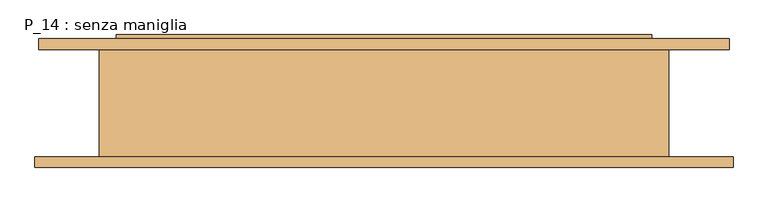
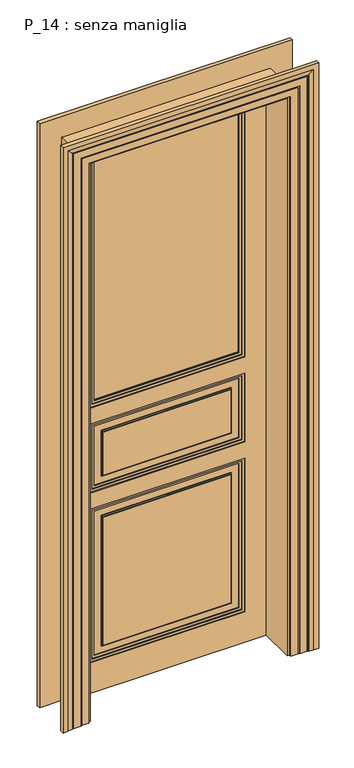
"""IFC4 building model written with IfcOpenShell, lengths in millimetres: door geometry, P_14 : senza maniglia."""

from ifc_helpers import new_model, si_unit, frame, origin, place, context, project, spatial, polyline, outline, extrude, faceted_brep, source, transform, mapped, element, save


def p_14_senza_maniglia_0dea33b0(model_context):
    return source(origin(), model_context, "Body", "SolidModel", [
        extrude(outline(polyline([(2310.0, 314.0), (2310.0, -314.0), (1225.0, -314.0), (1225.0, 314.0), (2310.0, 314.0)]), holes=[polyline([(2300.0, 304.0), (1235.0, 304.0), (1235.0, -304.0), (2300.0, -304.0), (2300.0, 304.0)])]), frame((0.0, 72.0, 0.0), z_axis=(0.0, 1.0, 0.0), x_axis=(0.0, 0.0, 1.0)), (0.0, 0.0, 1.0), 8.0),
        extrude(outline(polyline([(790.0, -314.0), (130.0, -314.0), (130.0, 314.0), (790.0, 314.0), (790.0, -314.0)]), holes=[polyline([(780.0, 304.0), (140.0, 304.0), (140.0, -304.0), (780.0, -304.0), (780.0, 304.0)])]), frame((0.0, 72.0, 0.0), z_axis=(0.0, 1.0, 0.0), x_axis=(0.0, 0.0, 1.0)), (0.0, 0.0, 1.0), 8.0),
        extrude(outline(polyline([(1155.0, -314.0), (860.0, -314.0), (860.0, 314.0), (1155.0, 314.0), (1155.0, -314.0)]), holes=[polyline([(1145.0, -304.0), (1145.0, 304.0), (870.0, 304.0), (870.0, -304.0), (1145.0, -304.0)])]), frame((0.0, 72.0, 0.0), z_axis=(0.0, 1.0, 0.0), x_axis=(0.0, 0.0, 1.0)), (0.0, 0.0, 1.0), 8.0),
        extrude(outline(polyline([(0.0, 399.0), (2395.0, 399.0), (2395.0, -399.0), (0.0, -399.0), (0.0, 399.0)]), holes=[polyline([(790.0, 314.0), (130.0, 314.0), (130.0, -314.0), (790.0, -314.0), (790.0, 314.0)]), polyline([(1225.0, 314.0), (1225.0, -314.0), (2310.0, -314.0), (2310.0, 314.0), (1225.0, 314.0)]), polyline([(1155.0, 314.0), (860.0, 314.0), (860.0, -314.0), (1155.0, -314.0), (1155.0, 314.0)])]), frame((0.0, 68.0, 0.0), z_axis=(0.0, 1.0, 0.0), x_axis=(0.0, 0.0, 1.0)), (0.0, 0.0, 1.0), 12.0),
        extrude(outline(polyline([(2400.0, -404.0), (0.0, -404.0), (0.0, 404.0), (2400.0, 404.0), (2400.0, -404.0)]), holes=[polyline([(2290.0, -294.0), (2290.0, 294.0), (1245.0, 294.0), (1245.0, -294.0), (2290.0, -294.0)])]), frame((0.0, 80.0, 0.0), z_axis=(0.0, 1.0, 0.0), x_axis=(0.0, 0.0, 1.0)), (0.0, 0.0, 1.0), 10.0),
        extrude(outline(polyline([(1225.0, 314.0), (2310.0, 314.0), (2310.0, -314.0), (1225.0, -314.0), (1225.0, 314.0)]), holes=[polyline([(2300.0, -304.0), (2300.0, 304.0), (1235.0, 304.0), (1235.0, -304.0), (2300.0, -304.0)])]), frame((0.0, 90.0, 0.0), z_axis=(0.0, 1.0, 0.0), x_axis=(0.0, 0.0, 1.0)), (0.0, 0.0, 1.0), 8.0),
        extrude(outline(polyline([(790.0, -314.0), (130.0, -314.0), (130.0, 314.0), (790.0, 314.0), (790.0, -314.0)]), holes=[polyline([(780.0, -304.0), (780.0, 304.0), (140.0, 304.0), (140.0, -304.0), (780.0, -304.0)])]), frame((0.0, 90.0, 0.0), z_axis=(0.0, 1.0, 0.0), x_axis=(0.0, 0.0, 1.0)), (0.0, 0.0, 1.0), 8.0),
        extrude(outline(polyline([(1155.0, -314.0), (860.0, -314.0), (860.0, 314.0), (1155.0, 314.0), (1155.0, -314.0)]), holes=[polyline([(1145.0, -304.0), (1145.0, 304.0), (870.0, 304.0), (870.0, -304.0), (1145.0, -304.0)])]), frame((0.0, 90.0, 0.0), z_axis=(0.0, 1.0, 0.0), x_axis=(0.0, 0.0, 1.0)), (0.0, 0.0, 1.0), 8.0),
        faceted_brep([(404.0, 90.0, 0.0), (404.0, 90.0, 2400.0), (-404.0, 90.0, 2400.0), (-404.0, 90.0, 0.0), (314.0, 90.0, 1225.0), (-314.0, 90.0, 1225.0), (-314.0, 90.0, 2310.0), (314.0, 90.0, 2310.0), (314.0, 90.0, 790.0), (314.0, 90.0, 130.0), (-314.0, 90.0, 130.0), (-314.0, 90.0, 790.0), (314.0, 90.0, 1155.0), (314.0, 90.0, 860.0), (-314.0, 90.0, 860.0), (-314.0, 90.0, 1155.0), (314.0, 102.0, 1225.0), (-314.0, 102.0, 1225.0), (-314.0, 102.0, 2310.0), (314.0, 102.0, 2310.0), (404.0, 95.0, 0.0), (404.0, 95.0, 2400.0), (-404.0, 95.0, 2400.0), (-404.0, 95.0, 0.0), (-399.0, 95.0, 0.0), (-399.0, 102.0, 0.0), (399.0, 102.0, 0.0), (399.0, 95.0, 0.0), (314.0, 102.0, 790.0), (314.0, 102.0, 130.0), (-314.0, 102.0, 130.0), (-314.0, 102.0, 790.0), (314.0, 102.0, 1155.0), (314.0, 102.0, 860.0), (-314.0, 102.0, 860.0), (-314.0, 102.0, 1155.0), (-399.0, 102.0, 2395.0), (399.0, 102.0, 2395.0), (-399.0, 95.0, 2395.0), (399.0, 95.0, 2395.0)], [[[0, 1, 2, 3], [4, 5, 6, 7], [8, 9, 10, 11], [12, 13, 14, 15]], [[5, 4, 16, 17]], [[6, 5, 17, 18]], [[4, 7, 19, 16]], [[0, 20, 21, 1]], [[3, 2, 22, 23]], [[0, 3, 23, 24, 25, 26, 27, 20]], [[9, 8, 28, 29]], [[10, 9, 29, 30]], [[11, 10, 30, 31]], [[8, 11, 31, 28]], [[13, 12, 32, 33]], [[14, 13, 33, 34]], [[15, 14, 34, 35]], [[12, 15, 35, 32]], [[26, 25, 36, 37], [16, 19, 18, 17], [28, 31, 30, 29], [32, 35, 34, 33]], [[36, 25, 24, 38]], [[26, 37, 39, 27]], [[20, 27, 39, 38, 24, 23, 22, 21]], [[7, 6, 18, 19]], [[1, 21, 22, 2]], [[37, 36, 38, 39]]]),
        faceted_brep([(514.0, 80.0, 0.0), (424.0, 80.0, 0.0), (424.0, -80.0, 0.0), (520.0, -80.0, 0.0), (520.0, -96.0, 0.0), (500.0, -96.0, 0.0), (480.0, -92.0291126, 0.0), (480.0, -91.0291126, 0.0), (475.0, -91.0291126, 0.0), (475.0, -90.0291126, 0.0), (445.0, -90.0291126, 0.0), (445.0, -89.0291126, 0.0), (440.0, -89.0291126, 0.0), (440.0, -88.0291126, 0.0), (410.0, -88.0291126, 0.0), (410.0, -80.0, 0.0), (400.0, -80.0, 0.0), (400.0, 80.0, 0.0), (410.0, 80.0, 0.0), (410.0, 88.0291126, 0.0), (440.0, 88.0291126, 0.0), (440.0, 89.0291126, 0.0), (445.0, 89.0291126, 0.0), (445.0, 90.0291126, 0.0), (469.0, 90.0291126, 0.0), (469.0, 91.0291126, 0.0), (474.0, 91.0291126, 0.0), (474.0, 92.0291126, 0.0), (494.0, 96.0, 0.0), (514.0, 96.0, 0.0), (514.0, 80.0, 2510.0), (-514.0, 80.0, 2510.0), (-514.0, 80.0, 0.0), (-424.0, 80.0, 0.0), (-424.0, 80.0, 2420.0), (424.0, 80.0, 2420.0), (424.0, -80.0, 2420.0), (-424.0, -80.0, 2420.0), (-424.0, -80.0, 0.0), (-520.0, -80.0, 0.0), (-520.0, -80.0, 2516.0), (520.0, -80.0, 2516.0), (520.0, -96.0, 2516.0), (-520.0, -96.0, 2516.0), (-520.0, -96.0, 0.0), (-500.0, -96.0, 0.0), (-500.0, -96.0, 2496.0), (500.0, -96.0, 2496.0), (480.0, -92.0291126, 2476.0), (480.0, -91.0291126, 2476.0), (-480.0, -91.0291126, 2476.0), (-480.0, -91.0291126, 0.0), (-475.0, -91.0291126, 0.0), (-475.0, -91.0291126, 2471.0), (475.0, -91.0291126, 2471.0), (475.0, -90.0291126, 2471.0), (-475.0, -90.0291126, 2471.0), (-475.0, -90.0291126, 0.0), (-445.0, -90.0291126, 0.0), (-445.0, -90.0291126, 2441.0), (445.0, -90.0291126, 2441.0), (445.0, -89.0291126, 2441.0), (-445.0, -89.0291126, 2441.0), (-445.0, -89.0291126, 0.0), (-440.0, -89.0291126, 0.0), (-440.0, -89.0291126, 2436.0), (440.0, -89.0291126, 2436.0), (440.0, -88.0291126, 2436.0), (-440.0, -88.0291126, 2436.0), (-440.0, -88.0291126, 0.0), (-410.0, -88.0291126, 0.0), (-410.0, -88.0291126, 2406.0), (410.0, -88.0291126, 2406.0), (410.0, -80.0, 2406.0), (-410.0, -80.0, 2406.0), (-410.0, -80.0, 0.0), (-400.0, -80.0, 0.0), (-400.0, -80.0, 2396.0), (400.0, -80.0, 2396.0), (400.0, 80.0, 2396.0), (-400.0, 80.0, 2396.0), (-400.0, 80.0, 0.0), (-410.0, 80.0, 0.0), (-410.0, 80.0, 2406.0), (410.0, 80.0, 2406.0), (410.0, 88.0291126, 2406.0), (-410.0, 88.0291126, 2406.0), (-410.0, 88.0291126, 0.0), (-440.0, 88.0291126, 0.0), (-440.0, 88.0291126, 2436.0), (440.0, 88.0291126, 2436.0), (440.0, 89.0291126, 2436.0), (-440.0, 89.0291126, 2436.0), (-440.0, 89.0291126, 0.0), (-445.0, 89.0291126, 0.0), (-445.0, 89.0291126, 2441.0), (445.0, 89.0291126, 2441.0), (445.0, 90.0291126, 2441.0), (-445.0, 90.0291126, 2441.0), (-445.0, 90.0291126, 0.0), (-469.0, 90.0291126, 0.0), (-469.0, 90.0291126, 2465.0), (469.0, 90.0291126, 2465.0), (469.0, 91.0291126, 2465.0), (-469.0, 91.0291126, 2465.0), (-469.0, 91.0291126, 0.0), (-474.0, 91.0291126, 0.0), (-474.0, 91.0291126, 2470.0), (474.0, 91.0291126, 2470.0), (474.0, 92.0291126, 2470.0), (494.0, 96.0, 2490.0), (-494.0, 96.0, 2490.0), (-494.0, 96.0, 0.0), (-514.0, 96.0, 0.0), (-514.0, 96.0, 2510.0), (514.0, 96.0, 2510.0), (-474.0, 92.0291126, 0.0), (-480.0, -92.0291126, 0.0), (-474.0, 92.0291126, 2470.0), (-480.0, -92.0291126, 2476.0)], [[[0, 1, 2, 3, 4, 5, 6, 7, 8, 9, 10, 11, 12, 13, 14, 15, 16, 17, 18, 19, 20, 21, 22, 23, 24, 25, 26, 27, 28, 29]], [[1, 0, 30, 31, 32, 33, 34, 35]], [[2, 1, 35, 36]], [[3, 2, 36, 37, 38, 39, 40, 41]], [[4, 3, 41, 42]], [[5, 4, 42, 43, 44, 45, 46, 47]], [[6, 5, 47, 48]], [[7, 6, 48, 49]], [[8, 7, 49, 50, 51, 52, 53, 54]], [[9, 8, 54, 55]], [[10, 9, 55, 56, 57, 58, 59, 60]], [[11, 10, 60, 61]], [[12, 11, 61, 62, 63, 64, 65, 66]], [[13, 12, 66, 67]], [[14, 13, 67, 68, 69, 70, 71, 72]], [[15, 14, 72, 73]], [[16, 15, 73, 74, 75, 76, 77, 78]], [[17, 16, 78, 79]], [[18, 17, 79, 80, 81, 82, 83, 84]], [[19, 18, 84, 85]], [[20, 19, 85, 86, 87, 88, 89, 90]], [[21, 20, 90, 91]], [[22, 21, 91, 92, 93, 94, 95, 96]], [[23, 22, 96, 97]], [[24, 23, 97, 98, 99, 100, 101, 102]], [[25, 24, 102, 103]], [[26, 25, 103, 104, 105, 106, 107, 108]], [[27, 26, 108, 109]], [[28, 27, 109, 110]], [[29, 28, 110, 111, 112, 113, 114, 115]], [[0, 29, 115, 30]], [[31, 114, 113, 32]], [[32, 113, 112, 116, 106, 105, 100, 99, 94, 93, 88, 87, 82, 81, 76, 75, 70, 69, 64, 63, 58, 57, 52, 51, 117, 45, 44, 39, 38, 33]], [[37, 34, 33, 38]], [[74, 71, 70, 75]], [[80, 77, 76, 81]], [[86, 83, 82, 87]], [[111, 118, 116, 112]], [[118, 107, 106, 116]], [[104, 101, 100, 105]], [[98, 95, 94, 99]], [[92, 89, 88, 93]], [[68, 65, 64, 69]], [[62, 59, 58, 63]], [[56, 53, 52, 57]], [[50, 119, 117, 51]], [[119, 46, 45, 117]], [[43, 40, 39, 44]], [[30, 115, 114, 31]], [[36, 35, 34, 37]], [[73, 72, 71, 74]], [[79, 78, 77, 80]], [[85, 84, 83, 86]], [[91, 90, 89, 92]], [[97, 96, 95, 98]], [[103, 102, 101, 104]], [[109, 108, 107, 118]], [[110, 109, 118, 111]], [[42, 41, 40, 43]], [[48, 47, 46, 119]], [[49, 48, 119, 50]], [[55, 54, 53, 56]], [[61, 60, 59, 62]], [[67, 66, 65, 68]]]),
        extrude(outline(polyline([(294.0, 83.0), (-294.0, 83.0), (-294.0, 87.0), (294.0, 87.0), (294.0, 83.0)])), frame((0.0, 0.0, 1245.0), z_axis=(0.0, 0.0, 1.0), x_axis=(1.0, 0.0, 0.0)), (0.0, 0.0, 1.0), 1045.0),
        extrude(outline(polyline([(780.0, 304.0), (780.0, -304.0), (140.0, -304.0), (140.0, 304.0), (780.0, 304.0)]), holes=[polyline([(770.0, 294.0), (150.0, 294.0), (150.0, -294.0), (770.0, -294.0), (770.0, 294.0)])]), frame((0.0, 76.0, 0.0), z_axis=(0.0, 1.0, 0.0), x_axis=(0.0, 0.0, 1.0)), (0.0, 0.0, 1.0), 4.0),
        extrude(outline(polyline([(740.0, 264.0), (740.0, -264.0), (180.0, -264.0), (180.0, 264.0), (740.0, 264.0)]), holes=[polyline([(735.0, 259.0), (185.0, 259.0), (185.0, -259.0), (735.0, -259.0), (735.0, 259.0)])]), frame((0.0, 76.0, 0.0), z_axis=(0.0, 1.0, 0.0), x_axis=(0.0, 0.0, 1.0)), (0.0, 0.0, 1.0), 4.0),
        extrude(outline(polyline([(1145.0, -304.0), (870.0, -304.0), (870.0, 304.0), (1145.0, 304.0), (1145.0, -304.0)]), holes=[polyline([(1135.0, -294.0), (1135.0, 294.0), (880.0, 294.0), (880.0, -294.0), (1135.0, -294.0)])]), frame((0.0, 76.0, 0.0), z_axis=(0.0, 1.0, 0.0), x_axis=(0.0, 0.0, 1.0)), (0.0, 0.0, 1.0), 4.0),
        extrude(outline(polyline([(1105.0, -264.0), (910.0, -264.0), (910.0, 264.0), (1105.0, 264.0), (1105.0, -264.0)]), holes=[polyline([(1100.0, -259.0), (1100.0, 259.0), (915.0, 259.0), (915.0, -259.0), (1100.0, -259.0)])]), frame((0.0, 76.0, 0.0), z_axis=(0.0, 1.0, 0.0), x_axis=(0.0, 0.0, 1.0)), (0.0, 0.0, 1.0), 4.0),
        extrude(outline(polyline([(2300.0, 304.0), (2300.0, -304.0), (1235.0, -304.0), (1235.0, 304.0), (2300.0, 304.0)]), holes=[polyline([(2290.0, 294.0), (1245.0, 294.0), (1245.0, -294.0), (2290.0, -294.0), (2290.0, 294.0)])]), frame((0.0, 76.0, 0.0), z_axis=(0.0, 1.0, 0.0), x_axis=(0.0, 0.0, 1.0)), (0.0, 0.0, 1.0), 4.0),
        extrude(outline(polyline([(780.0, -304.0), (140.0, -304.0), (140.0, 304.0), (780.0, 304.0), (780.0, -304.0)]), holes=[polyline([(770.0, -294.0), (770.0, 294.0), (150.0, 294.0), (150.0, -294.0), (770.0, -294.0)])]), frame((0.0, 90.0, 0.0), z_axis=(0.0, 1.0, 0.0), x_axis=(0.0, 0.0, 1.0)), (0.0, 0.0, 1.0), 4.0),
        extrude(outline(polyline([(740.0, -264.0), (180.0, -264.0), (180.0, 264.0), (740.0, 264.0), (740.0, -264.0)]), holes=[polyline([(735.0, -259.0), (735.0, 259.0), (185.0, 259.0), (185.0, -259.0), (735.0, -259.0)])]), frame((0.0, 90.0, 0.0), z_axis=(0.0, 1.0, 0.0), x_axis=(0.0, 0.0, 1.0)), (0.0, 0.0, 1.0), 4.0),
        extrude(outline(polyline([(1145.0, -304.0), (870.0, -304.0), (870.0, 304.0), (1145.0, 304.0), (1145.0, -304.0)]), holes=[polyline([(1135.0, -294.0), (1135.0, 294.0), (880.0, 294.0), (880.0, -294.0), (1135.0, -294.0)])]), frame((0.0, 90.0, 0.0), z_axis=(0.0, 1.0, 0.0), x_axis=(0.0, 0.0, 1.0)), (0.0, 0.0, 1.0), 4.0),
        extrude(outline(polyline([(1105.0, -264.0), (910.0, -264.0), (910.0, 264.0), (1105.0, 264.0), (1105.0, -264.0)]), holes=[polyline([(1100.0, -259.0), (1100.0, 259.0), (915.0, 259.0), (915.0, -259.0), (1100.0, -259.0)])]), frame((0.0, 90.0, 0.0), z_axis=(0.0, 1.0, 0.0), x_axis=(0.0, 0.0, 1.0)), (0.0, 0.0, 1.0), 4.0),
        extrude(outline(polyline([(2300.0, -304.0), (1235.0, -304.0), (1235.0, 304.0), (2300.0, 304.0), (2300.0, -304.0)]), holes=[polyline([(2290.0, -294.0), (2290.0, 294.0), (1245.0, 294.0), (1245.0, -294.0), (2290.0, -294.0)])]), frame((0.0, 90.0, 0.0), z_axis=(0.0, 1.0, 0.0), x_axis=(0.0, 0.0, 1.0)), (0.0, 0.0, 1.0), 4.0),
        extrude(outline(polyline([(-259.0, 80.0), (259.0, 80.0), (259.0, 72.0), (-259.0, 72.0), (-259.0, 80.0)])), frame((0.0, 0.0, 185.0), z_axis=(0.0, 0.0, 1.0), x_axis=(1.0, 0.0, 0.0)), (0.0, 0.0, 1.0), 550.0),
        extrude(outline(polyline([(-259.0, 80.0), (259.0, 80.0), (259.0, 72.0), (-259.0, 72.0), (-259.0, 80.0)])), frame((0.0, 0.0, 915.0), z_axis=(0.0, 0.0, 1.0), x_axis=(1.0, 0.0, 0.0)), (0.0, 0.0, 1.0), 185.0),
        extrude(outline(polyline([(259.0, 90.0), (-259.0, 90.0), (-259.0, 98.0), (259.0, 98.0), (259.0, 90.0)])), frame((0.0, 0.0, 185.0), z_axis=(0.0, 0.0, 1.0), x_axis=(1.0, 0.0, 0.0)), (0.0, 0.0, 1.0), 550.0),
        extrude(outline(polyline([(259.0, 90.0), (-259.0, 90.0), (-259.0, 98.0), (259.0, 98.0), (259.0, 90.0)])), frame((0.0, 0.0, 915.0), z_axis=(0.0, 0.0, 1.0), x_axis=(1.0, 0.0, 0.0)), (0.0, 0.0, 1.0), 185.0),
    ])


if __name__ == "__main__":
    model = new_model("IFC4")
    model_context = context("Model", 3, world=origin())
    ifc_project = project(units=[si_unit("LENGTHUNIT", "METRE", prefix="MILLI")], contexts=[model_context])
    site = spatial("IfcSite", under=ifc_project)
    building = spatial("IfcBuilding", under=site)
    placement = place(None, origin())
    p_14_senza_maniglia_shape = p_14_senza_maniglia_0dea33b0(model_context)
    element("IfcDoor", 1, ObjectType="P_14 : senza maniglia", at=placement, inside=building, context=model_context, shape_type="MappedRepresentation", body=[
        mapped(p_14_senza_maniglia_shape, transform((0.0, 0.0, 0.0), x_axis=(1.0, 0.0, 0.0), y_axis=(0.0, 1.0, 0.0), z_axis=(0.0, 0.0, 1.0))),
    ])
    save(model, "model.ifc")
